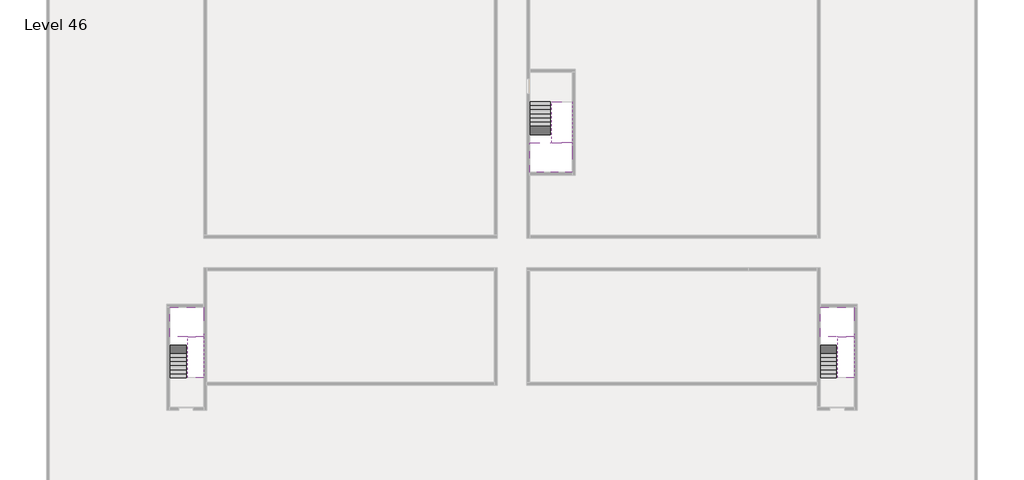
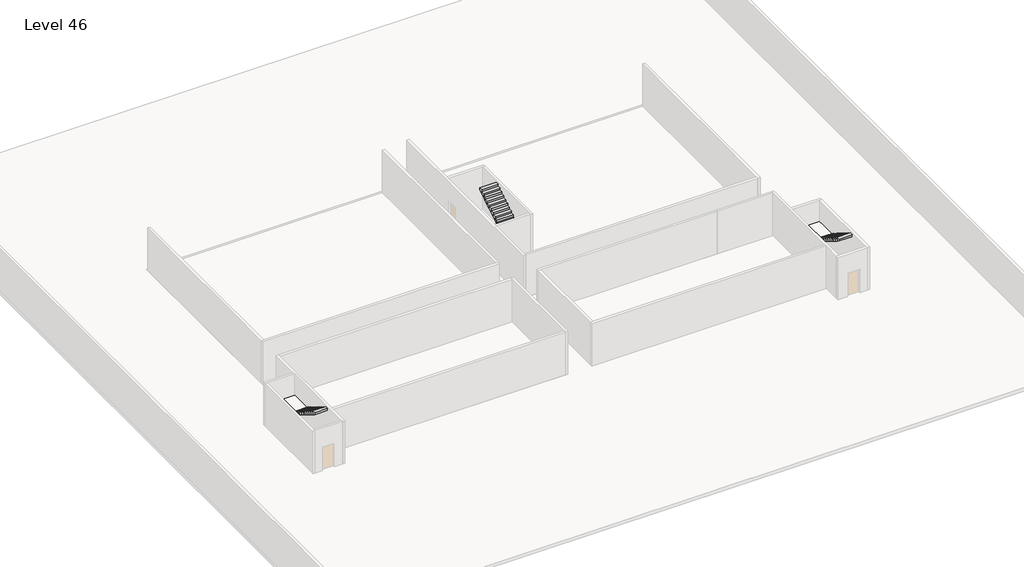
# One storey, part 2 of 2: 6 stair flights, 3 slabs.
"""IFC4 building model written with IfcOpenShell, lengths in millimetres."""

import ifcopenshell
import ifcopenshell.guid

model = None  # the IFC model being written
_history = None  # IfcOwnerHistory: only IFC2X3 demands one
_inside = {}  # id of a spatial element -> (the spatial element, [elements in it])
_under = {}  # id of a project, library or spatial element -> (it, [spatial elements below it])
_declared = {}  # id of a project -> (the project, [libraries it declares])
_typed = {}  # id of a type object -> (the type object, [elements of that type])
_made_of = {}  # id of a material, layer set ... -> (it, [elements and type objects made of it])


def new_model(schema):
    """Start an empty IFC model of exactly this schema.

    Asked for "IFC4X3", IfcOpenShell would pick the latest addendum, in which some entities
    have other attributes; the version numbers below select the first issue.
    IFC2X3 requires an IfcOwnerHistory on every rooted entity: one is made here for all.
    """
    global model, _history
    if schema == "IFC4X3":
        model = ifcopenshell.file(schema_version=(4, 3, 0, 0))
    else:
        model = ifcopenshell.file(schema=schema)
    _inside.clear()
    _under.clear()
    _declared.clear()
    _typed.clear()
    _made_of.clear()
    _history = None
    if model.schema == "IFC2X3":
        org = make("IfcOrganization", Name="unknown")
        user = make(
            "IfcPersonAndOrganization",
            ThePerson=make("IfcPerson", FamilyName="unknown"),
            TheOrganization=org,
        )
        app = make(
            "IfcApplication",
            ApplicationDeveloper=org,
            Version="unknown",
            ApplicationFullName="unknown",
            ApplicationIdentifier="unknown",
        )
        _history = make(
            "IfcOwnerHistory",
            OwningUser=user,
            OwningApplication=app,
            ChangeAction="ADDED",
            CreationDate=0,
        )
    return model


def make(cls, **values):
    """One entity of the class cls with the attributes given. An attribute that is None is left unset."""
    return model.create_entity(
        cls, **{name: value for name, value in values.items() if value is not None}
    )


def rooted(cls, **values):
    """An entity with a GlobalId (a new one), such as an element, a storey or a relation."""
    return make(cls, GlobalId=ifcopenshell.guid.new(), OwnerHistory=_history, **values)


def si_unit(unit_type, name, prefix=None):
    """IfcSIUnit, for example si_unit("LENGTHUNIT", "METRE", prefix="MILLI")."""
    return make("IfcSIUnit", UnitType=unit_type, Prefix=prefix, Name=name)


def assignment(units):
    """IfcUnitAssignment: the units of a project."""
    return None if units is None else make("IfcUnitAssignment", Units=units)


def point(xyz):
    """IfcCartesianPoint."""
    return None if xyz is None else make("IfcCartesianPoint", Coordinates=xyz)


def direction(xyz):
    """IfcDirection."""
    return None if xyz is None else make("IfcDirection", DirectionRatios=xyz)


def frame(location, z_axis=None, x_axis=None):
    """IfcAxis2Placement3D, a coordinate frame: its origin and axes. An axis left out is left unset."""
    return make(
        "IfcAxis2Placement3D",
        Location=point(location),
        Axis=direction(z_axis),
        RefDirection=direction(x_axis),
    )


def origin():
    """The frame at (0, 0, 0) with its axes left unset."""
    return frame((0.0, 0.0, 0.0))


def place(relative_to, where):
    """IfcLocalPlacement: puts the frame where relative to a parent placement (None: the world)."""
    return make(
        "IfcLocalPlacement", PlacementRelTo=relative_to, RelativePlacement=where
    )


def context(
    kind, dimensions, precision=None, world=None, true_north=None, identifier=None
):
    """IfcGeometricRepresentationContext, for example the 3D "Model" context."""
    return make(
        "IfcGeometricRepresentationContext",
        ContextIdentifier=identifier,
        ContextType=kind,
        CoordinateSpaceDimension=dimensions,
        Precision=precision,
        WorldCoordinateSystem=world,
        TrueNorth=true_north,
    )


def project(units=None, contexts=None):
    """IfcProject with its units and contexts."""
    return rooted(
        "IfcProject",
        Name="project",
        RepresentationContexts=contexts,
        UnitsInContext=assignment(units),
    )


def spatial(cls, under=None, at=None, **own):
    """A site, building, storey or space (cls), placed at a placement, below another one or the project."""
    s = rooted(cls, ObjectPlacement=at, **own)
    if under is not None:
        _under.setdefault(under.id(), (under, []))[1].append(s)
    return s


def faces_of(points, faces, orient=None, outer=None):
    """IfcFace entities. A face is a list of loops; a loop is a list of indices into points, from 0.

    orient and outer hold one flag for each loop. By default every Orientation is true, the
    first loop of a face is its IfcFaceOuterBound and the others are IfcFaceBound.
    """
    made = []
    for i, loops in enumerate(faces):
        bounds = []
        for j, loop in enumerate(loops):
            is_outer = j == 0 if outer is None else outer[i][j]
            bounds.append(
                make(
                    "IfcFaceOuterBound" if is_outer else "IfcFaceBound",
                    Bound=make("IfcPolyLoop", Polygon=[points[k] for k in loop]),
                    Orientation=True if orient is None else orient[i][j],
                )
            )
        made.append(make("IfcFace", Bounds=bounds))
    return made


def faceted_brep(points, faces, orient=None, outer=None, voids=None):
    """IfcFacetedBrep: a solid bounded by flat faces; with voids (closed shells), ...WithVoids."""
    shared = [point(p) for p in points]
    hull = make("IfcClosedShell", CfsFaces=faces_of(shared, faces, orient, outer))
    if voids is None:
        return make("IfcFacetedBrep", Outer=hull)
    return make(
        "IfcFacetedBrepWithVoids",
        Outer=hull,
        Voids=[
            make(cls, CfsFaces=faces_of(shared, fs, o, b)) for cls, fs, o, b in voids
        ],
    )


def shape(context_of_items, identifier, shape_type, items):
    """IfcShapeRepresentation: the items that make up one representation, for example the "Body"."""
    return make(
        "IfcShapeRepresentation",
        ContextOfItems=context_of_items,
        RepresentationIdentifier=identifier,
        RepresentationType=shape_type,
        Items=items,
    )


def made_of(thing, what):
    """Note that an element or type object is made of a material, layer set ...; save() writes the relation."""
    if what is not None:
        _made_of.setdefault(what.id(), (what, []))[1].append(thing)
    return thing


def element(
    cls,
    number,
    at=None,
    inside=None,
    cuts=None,
    type_object=None,
    material=None,
    context=None,
    identifier="Body",
    shape_type=None,
    held_by="IfcProductDefinitionShape",
    body=None,
    shapes=None,
    **own,
):
    """One element of the class cls, such as IfcWall. Its Tag is "e" and its number.

    at: its placement. inside: the storey or other place that contains it. cuts: it is an
    opening in that element (IfcRelVoidsElement). A single representation is given by context,
    identifier, shape_type and body (its items); several are given by shapes. held_by: the class
    of the entity that holds the representations. save() writes the other relations.
    """
    e = rooted(cls, Tag="e%d" % number, ObjectPlacement=at, **own)
    if body is not None:
        shapes = [shape(context, identifier, shape_type, body)]
    if shapes is not None:
        e.Representation = make(held_by, Representations=shapes)
    if inside is not None:
        _inside.setdefault(inside.id(), (inside, []))[1].append(e)
    if cuts is not None:
        rooted(
            "IfcRelVoidsElement", RelatingBuildingElement=cuts, RelatedOpeningElement=e
        )
    if type_object is not None:
        _typed.setdefault(type_object.id(), (type_object, []))[1].append(e)
    return made_of(e, material)


def aggregate(whole, parts):
    """IfcRelAggregates: a whole, such as a stair, and the parts it consists of."""
    return rooted("IfcRelAggregates", RelatingObject=whole, RelatedObjects=parts)


def save(model, path):
    """Write the relations noted so far, then the file.

    IfcRelAggregates (storeys below a building ...), IfcRelContainedInSpatialStructure (elements
    in a storey), IfcRelDefinesByType, IfcRelAssociatesMaterial and IfcRelDeclares: one each for
    every whole, place, type object, material and project.
    """
    for whole, parts in _under.values():
        aggregate(whole, parts)
    for where, things in _inside.values():
        rooted(
            "IfcRelContainedInSpatialStructure",
            RelatedElements=things,
            RelatingStructure=where,
        )
    for kind, things in _typed.values():
        rooted("IfcRelDefinesByType", RelatedObjects=things, RelatingType=kind)
    for what, things in _made_of.values():
        rooted("IfcRelAssociatesMaterial", RelatedObjects=things, RelatingMaterial=what)
    for by, libraries in _declared.values():
        rooted("IfcRelDeclares", RelatingContext=by, RelatedDefinitions=libraries)
    model.write(path)


model = new_model("IFC4")

# Units and contexts
model_context = context("Model", 3, world=origin())
ifc_project = project(units=[si_unit("LENGTHUNIT", "METRE", prefix="MILLI")], contexts=[model_context])

# Site, building, storey
site = spatial("IfcSite", under=ifc_project)
building = spatial("IfcBuilding", under=site)
storey = spatial("IfcBuildingStorey", under=building, Name="Level 46", Elevation=171000.0)

# Slabs
placement = place(None, origin())
element("IfcSlab", 1, at=placement, inside=storey, context=model_context, shape_type="Brep", body=[
    faceted_brep([(26790.1058784, -34218.09644, 172900.0), (25390.1058784, -34218.09644, 172900.0), (25390.1058784, -34297.4828763, 172900.0), (25390.1058784, -36218.09644, 172900.0), (28290.1058784, -36218.09644, 172900.0), (28290.1058784, -34418.7100038, 172900.0), (28290.1058784, -34218.09644, 172900.0), (26890.1058784, -34218.09644, 172900.0), (26790.1058784, -34218.09644, 172600.0), (26790.1058784, -34218.09644, 172551.0278478), (25390.1058784, -34218.09644, 172551.0278478), (25390.1058784, -34218.09644, 172727.2727273), (25390.1058784, -34297.4828763, 172600.0), (25390.1058784, -36218.09644, 172600.0), (28290.1058784, -36218.09644, 172600.0), (28290.1058784, -34418.7100038, 172600.0), (28290.1058784, -34218.09644, 172723.7551205), (26890.1058784, -34218.09644, 172723.7551205), (26890.1058784, -34218.09644, 172600.0), (26890.1058784, -34418.7100038, 172600.0), (26790.1058784, -34297.4828763, 172600.0)], [[[0, 1, 2, 3, 4, 5, 6, 7]], [[1, 0, 8, 9, 10, 11]], [[1, 11, 10, 12, 13, 3, 2]], [[4, 3, 13, 14]], [[4, 14, 15, 16, 6, 5]], [[7, 6, 16, 17]], [[0, 7, 17, 18, 8]], [[18, 19, 15, 14, 13, 12, 20, 8]], [[19, 18, 17]], [[20, 12, 10, 9]], [[8, 20, 9]], [[15, 19, 17, 16]]]),
])
element("IfcSlab", 2, at=placement, inside=storey, context=model_context, shape_type="Brep", body=[
    faceted_brep([(45190.1058784, -47418.09644, 172900.0), (46290.1058784, -47418.09644, 172900.0), (46390.1058784, -47418.09644, 172900.0), (47490.1058784, -47418.09644, 172900.0), (47490.1058784, -47217.4828763, 172900.0), (47490.1058784, -45418.09644, 172900.0), (45190.1058784, -45418.09644, 172900.0), (45190.1058784, -47338.7100038, 172900.0), (45190.1058784, -47418.09644, 172727.2727273), (45190.1058784, -47418.09644, 172551.0278478), (46290.1058784, -47418.09644, 172551.0278478), (46290.1058784, -47418.09644, 172600.0), (46390.1058784, -47418.09644, 172600.0), (46390.1058784, -47418.09644, 172723.7551205), (47490.1058784, -47418.09644, 172723.7551205), (47490.1058784, -47217.4828763, 172600.0), (47490.1058784, -45418.09644, 172600.0), (45190.1058784, -45418.09644, 172600.0), (45190.1058784, -47338.7100038, 172600.0), (46390.1058784, -47217.4828763, 172600.0), (46290.1058784, -47338.7100038, 172600.0)], [[[0, 1, 2, 3, 4, 5, 6, 7]], [[1, 0, 8, 9, 10, 11]], [[2, 1, 11, 12, 13]], [[3, 2, 13, 14]], [[3, 14, 15, 16, 5, 4]], [[6, 5, 16, 17]], [[9, 8, 0, 7, 6, 17, 18]], [[19, 12, 11, 20, 18, 17, 16, 15]], [[12, 19, 13]], [[18, 20, 10, 9]], [[20, 11, 10]], [[19, 15, 14, 13]]]),
])
element("IfcSlab", 3, at=placement, inside=storey, context=model_context, shape_type="Brep", body=[
    faceted_brep([(890.1058784, -47418.09644, 172900.0), (1990.1058784, -47418.09644, 172900.0), (2090.1058784, -47418.09644, 172900.0), (3190.1058784, -47418.09644, 172900.0), (3190.1058784, -47217.4828763, 172900.0), (3190.1058784, -45418.09644, 172900.0), (890.1058784, -45418.09644, 172900.0), (890.1058784, -47338.7100038, 172900.0), (890.1058784, -47418.09644, 172727.2727273), (890.1058784, -47418.09644, 172551.0278478), (1990.1058784, -47418.09644, 172551.0278478), (1990.1058784, -47418.09644, 172600.0), (2090.1058784, -47418.09644, 172600.0), (2090.1058784, -47418.09644, 172723.7551205), (3190.1058784, -47418.09644, 172723.7551205), (3190.1058784, -47217.4828763, 172600.0), (3190.1058784, -45418.09644, 172600.0), (890.1058784, -45418.09644, 172600.0), (890.1058784, -47338.7100038, 172600.0), (2090.1058784, -47217.4828763, 172600.0), (1990.1058784, -47338.7100038, 172600.0)], [[[0, 1, 2, 3, 4, 5, 6, 7]], [[1, 0, 8, 9, 10, 11]], [[2, 1, 11, 12, 13]], [[3, 2, 13, 14]], [[3, 14, 15, 16, 5, 4]], [[6, 5, 16, 17]], [[9, 8, 0, 7, 6, 17, 18]], [[19, 12, 11, 20, 18, 17, 16, 15]], [[12, 19, 13]], [[18, 20, 10, 9]], [[20, 11, 10]], [[19, 15, 14, 13]]]),
])

# Stair flights
element("IfcStairFlight", 4, at=placement, inside=storey, context=model_context, shape_type="Brep", body=[
    faceted_brep([(26790.1058784, -31698.09644, 171172.7272727), (26790.1058784, -31418.09644, 171172.7272727), (25390.1058784, -31418.09644, 171172.7272727), (25390.1058784, -31698.09644, 171172.7272727), (26790.1058784, -31698.09644, 171000.0), (26790.1058784, -31418.09644, 171000.0), (25390.1058784, -31418.09644, 171000.0), (25390.1058784, -31698.09644, 171000.0), (26790.1058784, -31978.09644, 171345.4545455), (26790.1058784, -31698.09644, 171345.4545455), (25390.1058784, -31698.09644, 171345.4545455), (25390.1058784, -31978.09644, 171345.4545455), (26790.1058784, -31978.09644, 171169.209666), (26790.1058784, -31703.7986657, 171000.0), (25390.1058784, -31703.7986657, 171000.0), (25390.1058784, -31978.09644, 171169.209666), (26790.1058784, -32258.09644, 171518.1818182), (26790.1058784, -31978.09644, 171518.1818182), (25390.1058784, -31978.09644, 171518.1818182), (25390.1058784, -32258.09644, 171518.1818182), (26790.1058784, -32258.09644, 171341.9369387), (25390.1058784, -32258.09644, 171341.9369387), (26790.1058784, -32538.09644, 171690.9090909), (26790.1058784, -32258.09644, 171690.9090909), (25390.1058784, -32258.09644, 171690.9090909), (25390.1058784, -32538.09644, 171690.9090909), (26790.1058784, -32538.09644, 171514.6642114), (25390.1058784, -32538.09644, 171514.6642114), (26790.1058784, -32818.09644, 171863.6363636), (26790.1058784, -32538.09644, 171863.6363636), (25390.1058784, -32538.09644, 171863.6363636), (25390.1058784, -32818.09644, 171863.6363636), (26790.1058784, -32818.09644, 171687.3914841), (25390.1058784, -32818.09644, 171687.3914841), (26790.1058784, -33098.09644, 172036.3636364), (26790.1058784, -32818.09644, 172036.3636364), (25390.1058784, -32818.09644, 172036.3636364), (25390.1058784, -33098.09644, 172036.3636364), (26790.1058784, -33098.09644, 171860.1187569), (25390.1058784, -33098.09644, 171860.1187569), (26790.1058784, -33378.09644, 172209.0909091), (26790.1058784, -33098.09644, 172209.0909091), (25390.1058784, -33098.09644, 172209.0909091), (25390.1058784, -33378.09644, 172209.0909091), (26790.1058784, -33378.09644, 172032.8460296), (25390.1058784, -33378.09644, 172032.8460296), (26790.1058784, -33658.09644, 172381.8181818), (26790.1058784, -33378.09644, 172381.8181818), (25390.1058784, -33378.09644, 172381.8181818), (25390.1058784, -33658.09644, 172381.8181818), (26790.1058784, -33658.09644, 172205.5733023), (25390.1058784, -33658.09644, 172205.5733023), (26790.1058784, -33938.09644, 172554.5454545), (26790.1058784, -33658.09644, 172554.5454545), (25390.1058784, -33658.09644, 172554.5454545), (25390.1058784, -33938.09644, 172554.5454545), (26790.1058784, -33938.09644, 172378.3005751), (25390.1058784, -33938.09644, 172378.3005751), (26790.1058784, -34218.09644, 172727.2727273), (26790.1058784, -33938.09644, 172727.2727273), (25390.1058784, -33938.09644, 172727.2727273), (25390.1058784, -34218.09644, 172727.2727273), (26790.1058784, -34218.09644, 172600.0), (26790.1058784, -34218.09644, 172551.0278478), (25390.1058784, -34218.09644, 172551.0278478)], [[[0, 1, 2, 3]], [[1, 0, 4, 5]], [[2, 1, 5, 6]], [[3, 2, 6, 7]], [[8, 9, 10, 11]], [[4, 0, 9, 8, 12, 13]], [[0, 3, 10, 9]], [[3, 7, 14, 15, 11, 10]], [[16, 17, 18, 19]], [[17, 16, 20, 12, 8]], [[8, 11, 18, 17]], [[19, 18, 11, 15, 21]], [[22, 23, 24, 25]], [[23, 22, 26, 20, 16]], [[16, 19, 24, 23]], [[25, 24, 19, 21, 27]], [[28, 29, 30, 31]], [[29, 28, 32, 26, 22]], [[22, 25, 30, 29]], [[31, 30, 25, 27, 33]], [[34, 35, 36, 37]], [[35, 34, 38, 32, 28]], [[28, 31, 36, 35]], [[37, 36, 31, 33, 39]], [[40, 41, 42, 43]], [[41, 40, 44, 38, 34]], [[34, 37, 42, 41]], [[43, 42, 37, 39, 45]], [[46, 47, 48, 49]], [[47, 46, 50, 44, 40]], [[40, 43, 48, 47]], [[49, 48, 43, 45, 51]], [[52, 53, 54, 55]], [[53, 52, 56, 50, 46]], [[46, 49, 54, 53]], [[55, 54, 49, 51, 57]], [[58, 59, 60, 61]], [[59, 58, 62, 63, 56, 52]], [[52, 55, 60, 59]], [[61, 60, 55, 57, 64]], [[58, 61, 64, 63, 62]], [[5, 4, 13, 14, 7, 6]], [[14, 13, 12, 20, 26, 32, 38, 44, 50, 56, 63, 64, 57, 51, 45, 39, 33, 27, 21, 15]]]),
])
element("IfcStairFlight", 5, at=placement, inside=storey, context=model_context, shape_type="Brep", body=[
    faceted_brep([(26890.1058784, -33938.09644, 173072.7272727), (26890.1058784, -34218.09644, 173072.7272727), (28290.1058784, -34218.09644, 173072.7272727), (28290.1058784, -33938.09644, 173072.7272727), (26890.1058784, -33938.09644, 172896.4823932), (26890.1058784, -34218.09644, 172723.7551205), (28290.1058784, -34218.09644, 172723.7551205), (28290.1058784, -34218.09644, 172900.0), (28290.1058784, -33938.09644, 172896.4823932), (26890.1058784, -33658.09644, 173245.4545455), (26890.1058784, -33938.09644, 173245.4545455), (28290.1058784, -33938.09644, 173245.4545455), (28290.1058784, -33658.09644, 173245.4545455), (26890.1058784, -33658.09644, 173069.209666), (28290.1058784, -33658.09644, 173069.209666), (26890.1058784, -33378.09644, 173418.1818182), (26890.1058784, -33658.09644, 173418.1818182), (28290.1058784, -33658.09644, 173418.1818182), (28290.1058784, -33378.09644, 173418.1818182), (26890.1058784, -33378.09644, 173241.9369387), (28290.1058784, -33378.09644, 173241.9369387), (26890.1058784, -33098.09644, 173590.9090909), (26890.1058784, -33378.09644, 173590.9090909), (28290.1058784, -33378.09644, 173590.9090909), (28290.1058784, -33098.09644, 173590.9090909), (26890.1058784, -33098.09644, 173414.6642114), (28290.1058784, -33098.09644, 173414.6642114), (26890.1058784, -32818.09644, 173763.6363636), (26890.1058784, -33098.09644, 173763.6363636), (28290.1058784, -33098.09644, 173763.6363636), (28290.1058784, -32818.09644, 173763.6363636), (26890.1058784, -32818.09644, 173587.3914841), (28290.1058784, -32818.09644, 173587.3914841), (26890.1058784, -32538.09644, 173936.3636364), (26890.1058784, -32818.09644, 173936.3636364), (28290.1058784, -32818.09644, 173936.3636364), (28290.1058784, -32538.09644, 173936.3636364), (26890.1058784, -32538.09644, 173760.1187569), (28290.1058784, -32538.09644, 173760.1187569), (26890.1058784, -32258.09644, 174109.0909091), (26890.1058784, -32538.09644, 174109.0909091), (28290.1058784, -32538.09644, 174109.0909091), (28290.1058784, -32258.09644, 174109.0909091), (26890.1058784, -32258.09644, 173932.8460296), (28290.1058784, -32258.09644, 173932.8460296), (26890.1058784, -31978.09644, 174281.8181818), (26890.1058784, -32258.09644, 174281.8181818), (28290.1058784, -32258.09644, 174281.8181818), (28290.1058784, -31978.09644, 174281.8181818), (26890.1058784, -31978.09644, 174105.5733023), (28290.1058784, -31978.09644, 174105.5733023), (26890.1058784, -31698.09644, 174454.5454545), (26890.1058784, -31978.09644, 174454.5454545), (28290.1058784, -31978.09644, 174454.5454545), (28290.1058784, -31698.09644, 174454.5454545), (26890.1058784, -31698.09644, 174278.3005751), (28290.1058784, -31698.09644, 174278.3005751), (26890.1058784, -31418.09644, 174627.2727273), (26890.1058784, -31698.09644, 174627.2727273), (28290.1058784, -31698.09644, 174627.2727273), (28290.1058784, -31418.09644, 174627.2727273), (26890.1058784, -31418.09644, 174451.0278478), (28290.1058784, -31418.09644, 174451.0278478)], [[[0, 1, 2, 3]], [[1, 0, 4, 5]], [[2, 1, 5, 6, 7]], [[3, 2, 7, 6, 8]], [[9, 10, 11, 12]], [[10, 9, 13, 4, 0]], [[11, 10, 0, 3]], [[12, 11, 3, 8, 14]], [[15, 16, 17, 18]], [[16, 15, 19, 13, 9]], [[17, 16, 9, 12]], [[18, 17, 12, 14, 20]], [[21, 22, 23, 24]], [[22, 21, 25, 19, 15]], [[23, 22, 15, 18]], [[24, 23, 18, 20, 26]], [[27, 28, 29, 30]], [[28, 27, 31, 25, 21]], [[29, 28, 21, 24]], [[30, 29, 24, 26, 32]], [[33, 34, 35, 36]], [[34, 33, 37, 31, 27]], [[35, 34, 27, 30]], [[36, 35, 30, 32, 38]], [[39, 40, 41, 42]], [[40, 39, 43, 37, 33]], [[41, 40, 33, 36]], [[42, 41, 36, 38, 44]], [[45, 46, 47, 48]], [[46, 45, 49, 43, 39]], [[47, 46, 39, 42]], [[48, 47, 42, 44, 50]], [[51, 52, 53, 54]], [[52, 51, 55, 49, 45]], [[53, 52, 45, 48]], [[54, 53, 48, 50, 56]], [[57, 58, 59, 60]], [[58, 57, 61, 55, 51]], [[59, 58, 51, 54]], [[60, 59, 54, 56, 62]], [[57, 60, 62, 61]], [[5, 4, 13, 19, 25, 31, 37, 43, 49, 55, 61, 62, 56, 50, 44, 38, 32, 26, 20, 14, 8, 6]]]),
])
element("IfcStairFlight", 6, at=placement, inside=storey, context=model_context, shape_type="Brep", body=[
    faceted_brep([(45190.1058784, -49938.09644, 171172.7272727), (45190.1058784, -50218.09644, 171172.7272727), (46290.1058784, -50218.09644, 171172.7272727), (46290.1058784, -49938.09644, 171172.7272727), (45190.1058784, -49938.09644, 171000.0), (45190.1058784, -50218.09644, 171000.0), (46290.1058784, -50218.09644, 171000.0), (46290.1058784, -49938.09644, 171000.0), (45190.1058784, -49658.09644, 171345.4545455), (45190.1058784, -49938.09644, 171345.4545455), (46290.1058784, -49938.09644, 171345.4545455), (46290.1058784, -49658.09644, 171345.4545455), (45190.1058784, -49658.09644, 171169.209666), (45190.1058784, -49932.3942143, 171000.0), (46290.1058784, -49932.3942143, 171000.0), (46290.1058784, -49658.09644, 171169.209666), (45190.1058784, -49378.09644, 171518.1818182), (45190.1058784, -49658.09644, 171518.1818182), (46290.1058784, -49658.09644, 171518.1818182), (46290.1058784, -49378.09644, 171518.1818182), (45190.1058784, -49378.09644, 171341.9369387), (46290.1058784, -49378.09644, 171341.9369387), (45190.1058784, -49098.09644, 171690.9090909), (45190.1058784, -49378.09644, 171690.9090909), (46290.1058784, -49378.09644, 171690.9090909), (46290.1058784, -49098.09644, 171690.9090909), (45190.1058784, -49098.09644, 171514.6642114), (46290.1058784, -49098.09644, 171514.6642114), (45190.1058784, -48818.09644, 171863.6363636), (45190.1058784, -49098.09644, 171863.6363636), (46290.1058784, -49098.09644, 171863.6363636), (46290.1058784, -48818.09644, 171863.6363636), (45190.1058784, -48818.09644, 171687.3914841), (46290.1058784, -48818.09644, 171687.3914841), (45190.1058784, -48538.09644, 172036.3636364), (45190.1058784, -48818.09644, 172036.3636364), (46290.1058784, -48818.09644, 172036.3636364), (46290.1058784, -48538.09644, 172036.3636364), (45190.1058784, -48538.09644, 171860.1187569), (46290.1058784, -48538.09644, 171860.1187569), (45190.1058784, -48258.09644, 172209.0909091), (45190.1058784, -48538.09644, 172209.0909091), (46290.1058784, -48538.09644, 172209.0909091), (46290.1058784, -48258.09644, 172209.0909091), (45190.1058784, -48258.09644, 172032.8460296), (46290.1058784, -48258.09644, 172032.8460296), (45190.1058784, -47978.09644, 172381.8181818), (45190.1058784, -48258.09644, 172381.8181818), (46290.1058784, -48258.09644, 172381.8181818), (46290.1058784, -47978.09644, 172381.8181818), (45190.1058784, -47978.09644, 172205.5733023), (46290.1058784, -47978.09644, 172205.5733023), (45190.1058784, -47698.09644, 172554.5454545), (45190.1058784, -47978.09644, 172554.5454545), (46290.1058784, -47978.09644, 172554.5454545), (46290.1058784, -47698.09644, 172554.5454545), (45190.1058784, -47698.09644, 172378.3005751), (46290.1058784, -47698.09644, 172378.3005751), (45190.1058784, -47418.09644, 172727.2727273), (45190.1058784, -47698.09644, 172727.2727273), (46290.1058784, -47698.09644, 172727.2727273), (46290.1058784, -47418.09644, 172727.2727273), (45190.1058784, -47418.09644, 172551.0278478), (46290.1058784, -47418.09644, 172551.0278478), (46290.1058784, -47418.09644, 172600.0)], [[[0, 1, 2, 3]], [[1, 0, 4, 5]], [[2, 1, 5, 6]], [[3, 2, 6, 7]], [[8, 9, 10, 11]], [[4, 0, 9, 8, 12, 13]], [[0, 3, 10, 9]], [[3, 7, 14, 15, 11, 10]], [[16, 17, 18, 19]], [[17, 16, 20, 12, 8]], [[8, 11, 18, 17]], [[19, 18, 11, 15, 21]], [[22, 23, 24, 25]], [[23, 22, 26, 20, 16]], [[16, 19, 24, 23]], [[25, 24, 19, 21, 27]], [[28, 29, 30, 31]], [[29, 28, 32, 26, 22]], [[22, 25, 30, 29]], [[31, 30, 25, 27, 33]], [[34, 35, 36, 37]], [[35, 34, 38, 32, 28]], [[28, 31, 36, 35]], [[37, 36, 31, 33, 39]], [[40, 41, 42, 43]], [[41, 40, 44, 38, 34]], [[34, 37, 42, 41]], [[43, 42, 37, 39, 45]], [[46, 47, 48, 49]], [[47, 46, 50, 44, 40]], [[40, 43, 48, 47]], [[49, 48, 43, 45, 51]], [[52, 53, 54, 55]], [[53, 52, 56, 50, 46]], [[46, 49, 54, 53]], [[55, 54, 49, 51, 57]], [[58, 59, 60, 61]], [[59, 58, 62, 56, 52]], [[52, 55, 60, 59]], [[61, 60, 55, 57, 63, 64]], [[58, 61, 64, 63, 62]], [[5, 4, 13, 14, 7, 6]], [[14, 13, 12, 20, 26, 32, 38, 44, 50, 56, 62, 63, 57, 51, 45, 39, 33, 27, 21, 15]]]),
])
element("IfcStairFlight", 7, at=placement, inside=storey, context=model_context, shape_type="Brep", body=[
    faceted_brep([(47490.1058784, -47698.09644, 173072.7272727), (47490.1058784, -47418.09644, 173072.7272727), (46390.1058784, -47418.09644, 173072.7272727), (46390.1058784, -47698.09644, 173072.7272727), (47490.1058784, -47698.09644, 172896.4823932), (47490.1058784, -47418.09644, 172723.7551205), (47490.1058784, -47418.09644, 172900.0), (46390.1058784, -47418.09644, 172723.7551205), (46390.1058784, -47698.09644, 172896.4823932), (47490.1058784, -47978.09644, 173245.4545455), (47490.1058784, -47698.09644, 173245.4545455), (46390.1058784, -47698.09644, 173245.4545455), (46390.1058784, -47978.09644, 173245.4545455), (47490.1058784, -47978.09644, 173069.209666), (46390.1058784, -47978.09644, 173069.209666), (47490.1058784, -48258.09644, 173418.1818182), (47490.1058784, -47978.09644, 173418.1818182), (46390.1058784, -47978.09644, 173418.1818182), (46390.1058784, -48258.09644, 173418.1818182), (47490.1058784, -48258.09644, 173241.9369387), (46390.1058784, -48258.09644, 173241.9369387), (47490.1058784, -48538.09644, 173590.9090909), (47490.1058784, -48258.09644, 173590.9090909), (46390.1058784, -48258.09644, 173590.9090909), (46390.1058784, -48538.09644, 173590.9090909), (47490.1058784, -48538.09644, 173414.6642114), (46390.1058784, -48538.09644, 173414.6642114), (47490.1058784, -48818.09644, 173763.6363636), (47490.1058784, -48538.09644, 173763.6363636), (46390.1058784, -48538.09644, 173763.6363636), (46390.1058784, -48818.09644, 173763.6363636), (47490.1058784, -48818.09644, 173587.3914841), (46390.1058784, -48818.09644, 173587.3914841), (47490.1058784, -49098.09644, 173936.3636364), (47490.1058784, -48818.09644, 173936.3636364), (46390.1058784, -48818.09644, 173936.3636364), (46390.1058784, -49098.09644, 173936.3636364), (47490.1058784, -49098.09644, 173760.1187569), (46390.1058784, -49098.09644, 173760.1187569), (47490.1058784, -49378.09644, 174109.0909091), (47490.1058784, -49098.09644, 174109.0909091), (46390.1058784, -49098.09644, 174109.0909091), (46390.1058784, -49378.09644, 174109.0909091), (47490.1058784, -49378.09644, 173932.8460296), (46390.1058784, -49378.09644, 173932.8460296), (47490.1058784, -49658.09644, 174281.8181818), (47490.1058784, -49378.09644, 174281.8181818), (46390.1058784, -49378.09644, 174281.8181818), (46390.1058784, -49658.09644, 174281.8181818), (47490.1058784, -49658.09644, 174105.5733023), (46390.1058784, -49658.09644, 174105.5733023), (47490.1058784, -49938.09644, 174454.5454545), (47490.1058784, -49658.09644, 174454.5454545), (46390.1058784, -49658.09644, 174454.5454545), (46390.1058784, -49938.09644, 174454.5454545), (47490.1058784, -49938.09644, 174278.3005751), (46390.1058784, -49938.09644, 174278.3005751), (47490.1058784, -50218.09644, 174627.2727273), (47490.1058784, -49938.09644, 174627.2727273), (46390.1058784, -49938.09644, 174627.2727273), (46390.1058784, -50218.09644, 174627.2727273), (47490.1058784, -50218.09644, 174451.0278478), (46390.1058784, -50218.09644, 174451.0278478)], [[[0, 1, 2, 3]], [[1, 0, 4, 5, 6]], [[2, 1, 6, 5, 7]], [[3, 2, 7, 8]], [[9, 10, 11, 12]], [[10, 9, 13, 4, 0]], [[11, 10, 0, 3]], [[12, 11, 3, 8, 14]], [[15, 16, 17, 18]], [[16, 15, 19, 13, 9]], [[17, 16, 9, 12]], [[18, 17, 12, 14, 20]], [[21, 22, 23, 24]], [[22, 21, 25, 19, 15]], [[23, 22, 15, 18]], [[24, 23, 18, 20, 26]], [[27, 28, 29, 30]], [[28, 27, 31, 25, 21]], [[29, 28, 21, 24]], [[30, 29, 24, 26, 32]], [[33, 34, 35, 36]], [[34, 33, 37, 31, 27]], [[35, 34, 27, 30]], [[36, 35, 30, 32, 38]], [[39, 40, 41, 42]], [[40, 39, 43, 37, 33]], [[41, 40, 33, 36]], [[42, 41, 36, 38, 44]], [[45, 46, 47, 48]], [[46, 45, 49, 43, 39]], [[47, 46, 39, 42]], [[48, 47, 42, 44, 50]], [[51, 52, 53, 54]], [[52, 51, 55, 49, 45]], [[53, 52, 45, 48]], [[54, 53, 48, 50, 56]], [[57, 58, 59, 60]], [[58, 57, 61, 55, 51]], [[59, 58, 51, 54]], [[60, 59, 54, 56, 62]], [[57, 60, 62, 61]], [[5, 4, 13, 19, 25, 31, 37, 43, 49, 55, 61, 62, 56, 50, 44, 38, 32, 26, 20, 14, 8, 7]]]),
])
element("IfcStairFlight", 8, at=placement, inside=storey, context=model_context, shape_type="Brep", body=[
    faceted_brep([(890.1058784, -49938.09644, 171172.7272727), (890.1058784, -50218.09644, 171172.7272727), (1990.1058784, -50218.09644, 171172.7272727), (1990.1058784, -49938.09644, 171172.7272727), (890.1058784, -49938.09644, 171000.0), (890.1058784, -50218.09644, 171000.0), (1990.1058784, -50218.09644, 171000.0), (1990.1058784, -49938.09644, 171000.0), (890.1058784, -49658.09644, 171345.4545455), (890.1058784, -49938.09644, 171345.4545455), (1990.1058784, -49938.09644, 171345.4545455), (1990.1058784, -49658.09644, 171345.4545455), (890.1058784, -49658.09644, 171169.209666), (890.1058784, -49932.3942143, 171000.0), (1990.1058784, -49932.3942143, 171000.0), (1990.1058784, -49658.09644, 171169.209666), (890.1058784, -49378.09644, 171518.1818182), (890.1058784, -49658.09644, 171518.1818182), (1990.1058784, -49658.09644, 171518.1818182), (1990.1058784, -49378.09644, 171518.1818182), (890.1058784, -49378.09644, 171341.9369387), (1990.1058784, -49378.09644, 171341.9369387), (890.1058784, -49098.09644, 171690.9090909), (890.1058784, -49378.09644, 171690.9090909), (1990.1058784, -49378.09644, 171690.9090909), (1990.1058784, -49098.09644, 171690.9090909), (890.1058784, -49098.09644, 171514.6642114), (1990.1058784, -49098.09644, 171514.6642114), (890.1058784, -48818.09644, 171863.6363636), (890.1058784, -49098.09644, 171863.6363636), (1990.1058784, -49098.09644, 171863.6363636), (1990.1058784, -48818.09644, 171863.6363636), (890.1058784, -48818.09644, 171687.3914841), (1990.1058784, -48818.09644, 171687.3914841), (890.1058784, -48538.09644, 172036.3636364), (890.1058784, -48818.09644, 172036.3636364), (1990.1058784, -48818.09644, 172036.3636364), (1990.1058784, -48538.09644, 172036.3636364), (890.1058784, -48538.09644, 171860.1187569), (1990.1058784, -48538.09644, 171860.1187569), (890.1058784, -48258.09644, 172209.0909091), (890.1058784, -48538.09644, 172209.0909091), (1990.1058784, -48538.09644, 172209.0909091), (1990.1058784, -48258.09644, 172209.0909091), (890.1058784, -48258.09644, 172032.8460296), (1990.1058784, -48258.09644, 172032.8460296), (890.1058784, -47978.09644, 172381.8181818), (890.1058784, -48258.09644, 172381.8181818), (1990.1058784, -48258.09644, 172381.8181818), (1990.1058784, -47978.09644, 172381.8181818), (890.1058784, -47978.09644, 172205.5733023), (1990.1058784, -47978.09644, 172205.5733023), (890.1058784, -47698.09644, 172554.5454545), (890.1058784, -47978.09644, 172554.5454545), (1990.1058784, -47978.09644, 172554.5454545), (1990.1058784, -47698.09644, 172554.5454545), (890.1058784, -47698.09644, 172378.3005751), (1990.1058784, -47698.09644, 172378.3005751), (890.1058784, -47418.09644, 172727.2727273), (890.1058784, -47698.09644, 172727.2727273), (1990.1058784, -47698.09644, 172727.2727273), (1990.1058784, -47418.09644, 172727.2727273), (890.1058784, -47418.09644, 172551.0278478), (1990.1058784, -47418.09644, 172551.0278478), (1990.1058784, -47418.09644, 172600.0)], [[[0, 1, 2, 3]], [[1, 0, 4, 5]], [[2, 1, 5, 6]], [[3, 2, 6, 7]], [[8, 9, 10, 11]], [[4, 0, 9, 8, 12, 13]], [[0, 3, 10, 9]], [[3, 7, 14, 15, 11, 10]], [[16, 17, 18, 19]], [[17, 16, 20, 12, 8]], [[8, 11, 18, 17]], [[19, 18, 11, 15, 21]], [[22, 23, 24, 25]], [[23, 22, 26, 20, 16]], [[16, 19, 24, 23]], [[25, 24, 19, 21, 27]], [[28, 29, 30, 31]], [[29, 28, 32, 26, 22]], [[22, 25, 30, 29]], [[31, 30, 25, 27, 33]], [[34, 35, 36, 37]], [[35, 34, 38, 32, 28]], [[28, 31, 36, 35]], [[37, 36, 31, 33, 39]], [[40, 41, 42, 43]], [[41, 40, 44, 38, 34]], [[34, 37, 42, 41]], [[43, 42, 37, 39, 45]], [[46, 47, 48, 49]], [[47, 46, 50, 44, 40]], [[40, 43, 48, 47]], [[49, 48, 43, 45, 51]], [[52, 53, 54, 55]], [[53, 52, 56, 50, 46]], [[46, 49, 54, 53]], [[55, 54, 49, 51, 57]], [[58, 59, 60, 61]], [[59, 58, 62, 56, 52]], [[52, 55, 60, 59]], [[61, 60, 55, 57, 63, 64]], [[58, 61, 64, 63, 62]], [[5, 4, 13, 14, 7, 6]], [[14, 13, 12, 20, 26, 32, 38, 44, 50, 56, 62, 63, 57, 51, 45, 39, 33, 27, 21, 15]]]),
])
element("IfcStairFlight", 9, at=placement, inside=storey, context=model_context, shape_type="Brep", body=[
    faceted_brep([(3190.1058784, -47698.09644, 173072.7272727), (3190.1058784, -47418.09644, 173072.7272727), (2090.1058784, -47418.09644, 173072.7272727), (2090.1058784, -47698.09644, 173072.7272727), (3190.1058784, -47698.09644, 172896.4823932), (3190.1058784, -47418.09644, 172723.7551205), (3190.1058784, -47418.09644, 172900.0), (2090.1058784, -47418.09644, 172723.7551205), (2090.1058784, -47698.09644, 172896.4823932), (3190.1058784, -47978.09644, 173245.4545455), (3190.1058784, -47698.09644, 173245.4545455), (2090.1058784, -47698.09644, 173245.4545455), (2090.1058784, -47978.09644, 173245.4545455), (3190.1058784, -47978.09644, 173069.209666), (2090.1058784, -47978.09644, 173069.209666), (3190.1058784, -48258.09644, 173418.1818182), (3190.1058784, -47978.09644, 173418.1818182), (2090.1058784, -47978.09644, 173418.1818182), (2090.1058784, -48258.09644, 173418.1818182), (3190.1058784, -48258.09644, 173241.9369387), (2090.1058784, -48258.09644, 173241.9369387), (3190.1058784, -48538.09644, 173590.9090909), (3190.1058784, -48258.09644, 173590.9090909), (2090.1058784, -48258.09644, 173590.9090909), (2090.1058784, -48538.09644, 173590.9090909), (3190.1058784, -48538.09644, 173414.6642114), (2090.1058784, -48538.09644, 173414.6642114), (3190.1058784, -48818.09644, 173763.6363636), (3190.1058784, -48538.09644, 173763.6363636), (2090.1058784, -48538.09644, 173763.6363636), (2090.1058784, -48818.09644, 173763.6363636), (3190.1058784, -48818.09644, 173587.3914841), (2090.1058784, -48818.09644, 173587.3914841), (3190.1058784, -49098.09644, 173936.3636364), (3190.1058784, -48818.09644, 173936.3636364), (2090.1058784, -48818.09644, 173936.3636364), (2090.1058784, -49098.09644, 173936.3636364), (3190.1058784, -49098.09644, 173760.1187569), (2090.1058784, -49098.09644, 173760.1187569), (3190.1058784, -49378.09644, 174109.0909091), (3190.1058784, -49098.09644, 174109.0909091), (2090.1058784, -49098.09644, 174109.0909091), (2090.1058784, -49378.09644, 174109.0909091), (3190.1058784, -49378.09644, 173932.8460296), (2090.1058784, -49378.09644, 173932.8460296), (3190.1058784, -49658.09644, 174281.8181818), (3190.1058784, -49378.09644, 174281.8181818), (2090.1058784, -49378.09644, 174281.8181818), (2090.1058784, -49658.09644, 174281.8181818), (3190.1058784, -49658.09644, 174105.5733023), (2090.1058784, -49658.09644, 174105.5733023), (3190.1058784, -49938.09644, 174454.5454545), (3190.1058784, -49658.09644, 174454.5454545), (2090.1058784, -49658.09644, 174454.5454545), (2090.1058784, -49938.09644, 174454.5454545), (3190.1058784, -49938.09644, 174278.3005751), (2090.1058784, -49938.09644, 174278.3005751), (3190.1058784, -50218.09644, 174627.2727273), (3190.1058784, -49938.09644, 174627.2727273), (2090.1058784, -49938.09644, 174627.2727273), (2090.1058784, -50218.09644, 174627.2727273), (3190.1058784, -50218.09644, 174451.0278478), (2090.1058784, -50218.09644, 174451.0278478)], [[[0, 1, 2, 3]], [[1, 0, 4, 5, 6]], [[2, 1, 6, 5, 7]], [[3, 2, 7, 8]], [[9, 10, 11, 12]], [[10, 9, 13, 4, 0]], [[11, 10, 0, 3]], [[12, 11, 3, 8, 14]], [[15, 16, 17, 18]], [[16, 15, 19, 13, 9]], [[17, 16, 9, 12]], [[18, 17, 12, 14, 20]], [[21, 22, 23, 24]], [[22, 21, 25, 19, 15]], [[23, 22, 15, 18]], [[24, 23, 18, 20, 26]], [[27, 28, 29, 30]], [[28, 27, 31, 25, 21]], [[29, 28, 21, 24]], [[30, 29, 24, 26, 32]], [[33, 34, 35, 36]], [[34, 33, 37, 31, 27]], [[35, 34, 27, 30]], [[36, 35, 30, 32, 38]], [[39, 40, 41, 42]], [[40, 39, 43, 37, 33]], [[41, 40, 33, 36]], [[42, 41, 36, 38, 44]], [[45, 46, 47, 48]], [[46, 45, 49, 43, 39]], [[47, 46, 39, 42]], [[48, 47, 42, 44, 50]], [[51, 52, 53, 54]], [[52, 51, 55, 49, 45]], [[53, 52, 45, 48]], [[54, 53, 48, 50, 56]], [[57, 58, 59, 60]], [[58, 57, 61, 55, 51]], [[59, 58, 51, 54]], [[60, 59, 54, 56, 62]], [[57, 60, 62, 61]], [[5, 4, 13, 19, 25, 31, 37, 43, 49, 55, 61, 62, 56, 50, 44, 38, 32, 26, 20, 14, 8, 7]]]),
])

save(model, "model.ifc")
